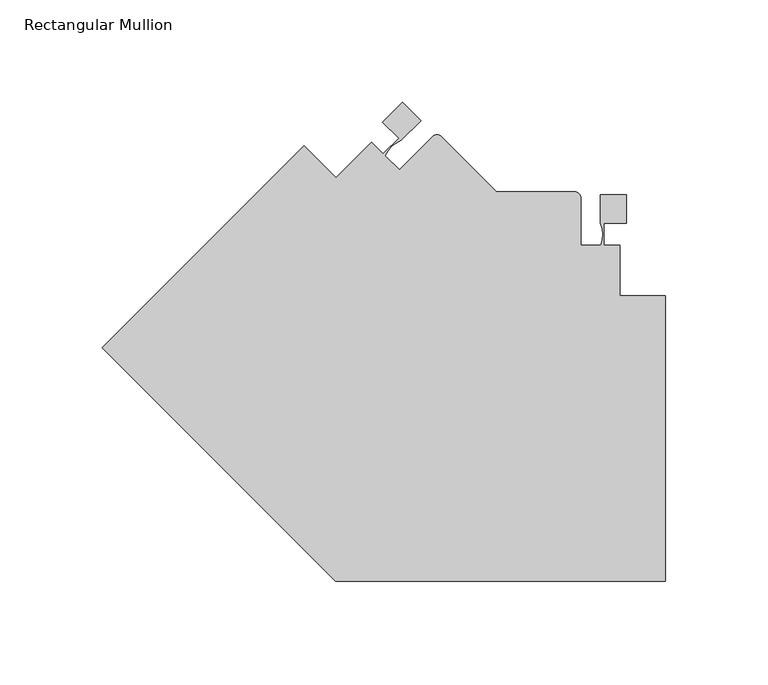
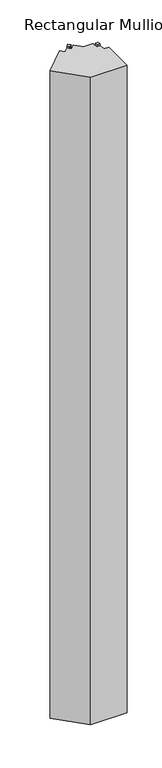
"""IFC4 building model written with IfcOpenShell, lengths in millimetres: member geometry, Rectangular Mullion."""

from ifc_helpers import new_model, si_unit, point, frame, frame_2d, origin, place, context, project, spatial, polyline, circle_curve, trimmed, segment, composite_curve, outline, extrude, source, transform, mapped, element, save


def rectangular_mullion_fbbbeba1(model_context):
    return source(origin(), model_context, "Body", "SweptSolid", [
        extrude(outline(composite_curve([segment(polyline([(-161.4576836, -97.1464894), (-275.6255066, 17.0213336), (-176.8426853, 115.8041549), (-161.1273172, 100.0887867), (-143.6971255, 117.5189783), (-138.1101093, 111.8805143), (-130.4596664, 119.5309572), (-138.3173905, 127.3886813), (-128.5827929, 137.1232789), (-119.6025368, 128.1430228), (-129.3371344, 118.4084252)]), True, "CONTINUOUS"), segment(trimmed(circle_curve(frame_2d((-124.5476048, 105.54574)), 13.7254604), [point((-129.3371344, 118.4084252))], [point((-137.1724868, 110.9309622))], True, "CARTESIAN"), True, "CONTINUOUS"), segment(polyline([(-137.1724868, 110.9309622), (-130.2265813, 104.048434), (-113.9808164, 120.2941989)]), True, "CONTINUOUS"), segment(trimmed(circle_curve(frame_2d((-111.7357523, 118.0491349)), 3.175), [point((-113.9808164, 120.2941989))], [point((-109.4906883, 120.2941989))], False, "CARTESIAN"), True, "CONTINUOUS"), segment(polyline([(-109.4906883, 120.2941989), (-82.55, 93.3535106), (-44.4501132, 93.3535106)]), True, "CONTINUOUS"), segment(trimmed(circle_curve(frame_2d((-44.4501132, 90.1785106)), 3.175), [point((-44.4501132, 93.3535106))], [point((-41.2751132, 90.1785106))], False, "CARTESIAN"), True, "CONTINUOUS"), segment(polyline([(-41.2751132, 90.1785106), (-41.2751132, 67.2035296), (-31.4969339, 67.158715)]), True, "CONTINUOUS"), segment(trimmed(circle_curve(frame_2d((-44.2320007, 72.2779275)), 13.7254604), [point((-31.4969339, 67.158715))], [point((-31.75, 77.9865106))], True, "CARTESIAN"), True, "CONTINUOUS"), segment(polyline([(-31.75, 77.9865106), (-31.75, 91.7533106), (-19.05, 91.7533106), (-19.05, 77.9865106), (-30.1625, 77.9865106), (-30.1625, 67.1671506), (-22.2248868, 67.2035296), (-22.2248868, 42.5535162), (0.0, 42.5535162), (0.0, -97.1464894), (-161.4576836, -97.1464894)]), True, "CONTINUOUS")], self_intersect=False)), frame((0.0, 0.0, -3048.0), z_axis=(0.0, 0.0, 1.0), x_axis=(1.0, 0.0, 0.0)), (0.0, 0.0, 1.0), 3048.0),
    ])


if __name__ == "__main__":
    model = new_model("IFC4")
    model_context = context("Model", 3, world=origin())
    ifc_project = project(units=[si_unit("LENGTHUNIT", "METRE", prefix="MILLI")], contexts=[model_context])
    site = spatial("IfcSite", under=ifc_project)
    building = spatial("IfcBuilding", under=site)
    placement = place(None, origin())
    rectangular_mullion_shape = rectangular_mullion_fbbbeba1(model_context)
    element("IfcMember", 1, ObjectType="Rectangular Mullion", at=placement, inside=building, context=model_context, shape_type="MappedRepresentation", body=[
        mapped(rectangular_mullion_shape, transform((0.0, 0.0, 0.0), x_axis=(1.0, 0.0, 0.0), y_axis=(0.0, 1.0, 0.0), z_axis=(0.0, 0.0, 1.0))),
    ])
    save(model, "model.ifc")
